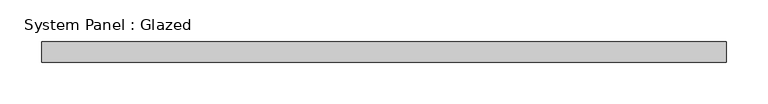
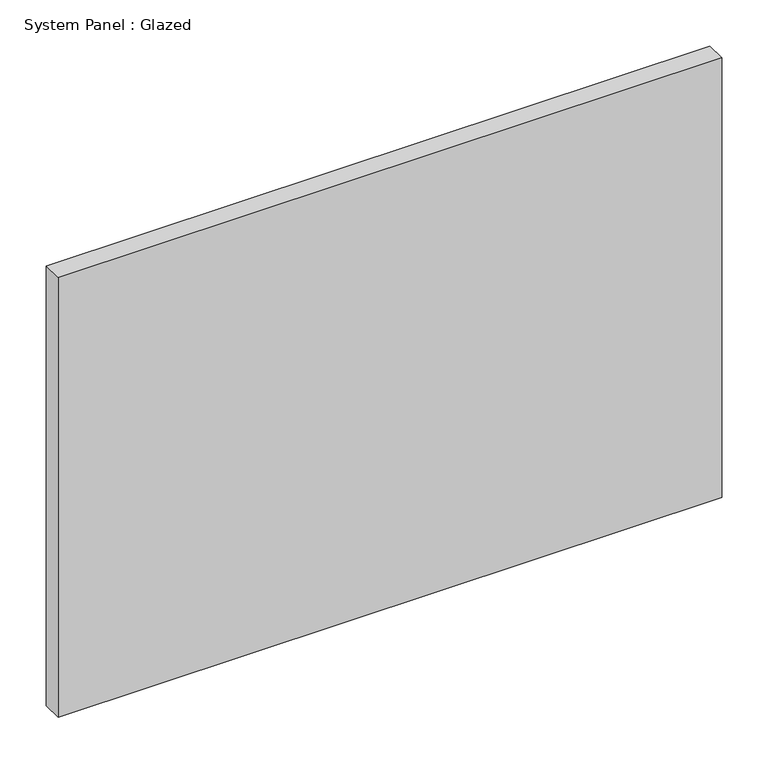
"""IFC4 building model written with IfcOpenShell, lengths in millimetres: plate geometry, System Panel : Glazed."""

from ifc_helpers import new_model, si_unit, origin, origin_with_axes, place, context, project, spatial, polyline, outline, extrude, source, transform, mapped, element, save


def system_panel_glazed_9b184918(model_context):
    return source(origin(), model_context, "Body", "SweptSolid", [
        extrude(outline(polyline([(412.5, -49.5), (-412.5, -49.5), (-412.5, -24.5), (412.5, -24.5), (412.5, -49.5)])), origin_with_axes(), (0.0, 0.0, 1.0), 578.3333333),
    ])


if __name__ == "__main__":
    model = new_model("IFC4")
    model_context = context("Model", 3, world=origin())
    ifc_project = project(units=[si_unit("LENGTHUNIT", "METRE", prefix="MILLI")], contexts=[model_context])
    site = spatial("IfcSite", under=ifc_project)
    building = spatial("IfcBuilding", under=site)
    placement = place(None, origin())
    system_panel_glazed_shape = system_panel_glazed_9b184918(model_context)
    element("IfcPlate", 1, ObjectType="System Panel : Glazed", at=placement, inside=building, context=model_context, shape_type="MappedRepresentation", body=[
        mapped(system_panel_glazed_shape, transform((0.0, 0.0, 0.0), x_axis=(1.0, 0.0, 0.0), y_axis=(0.0, 1.0, 0.0), z_axis=(0.0, 0.0, 1.0))),
    ])
    save(model, "model.ifc")
